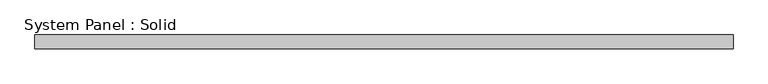
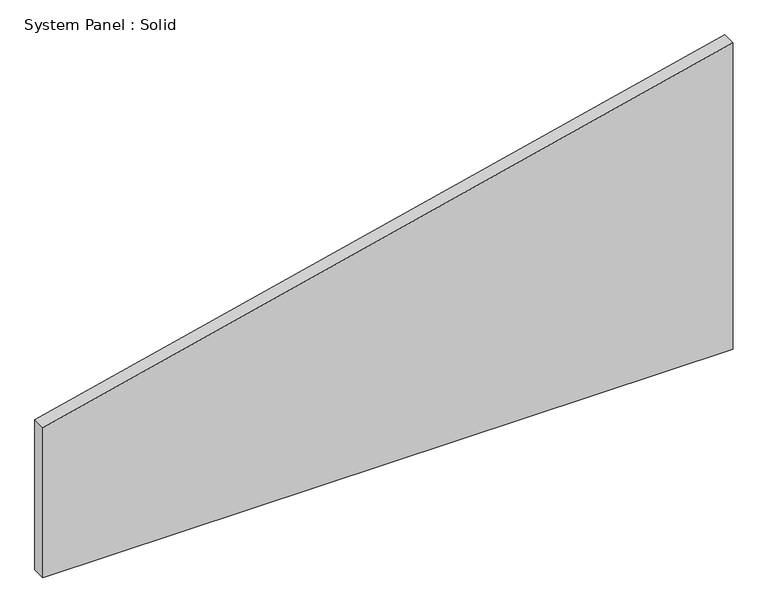
"""IFC4 building model written with IfcOpenShell, lengths in millimetres: plate geometry, System Panel : Solid."""

from ifc_helpers import new_model, si_unit, frame, origin, place, context, project, spatial, polyline, outline, extrude, source, transform, mapped, element, save


def system_panel_solid_bc2618f3(model_context):
    return source(origin(), model_context, "Body", "SweptSolid", [
        extrude(outline(polyline([(0.0, -1500.0), (0.0, 1500.0), (1407.3242299, 1500.0), (689.0930507, -1500.0), (0.0, -1500.0)])), frame((0.0, -10.5, 0.0), z_axis=(0.0, 1.0, 0.0), x_axis=(0.0, 0.0, 1.0)), (0.0, 0.0, 1.0), 60.0),
    ])


if __name__ == "__main__":
    model = new_model("IFC4")
    model_context = context("Model", 3, world=origin())
    ifc_project = project(units=[si_unit("LENGTHUNIT", "METRE", prefix="MILLI")], contexts=[model_context])
    site = spatial("IfcSite", under=ifc_project)
    building = spatial("IfcBuilding", under=site)
    placement = place(None, origin())
    system_panel_solid_shape = system_panel_solid_bc2618f3(model_context)
    element("IfcPlate", 1, ObjectType="System Panel : Solid", at=placement, inside=building, context=model_context, shape_type="MappedRepresentation", body=[
        mapped(system_panel_solid_shape, transform((0.0, 0.0, 0.0), x_axis=(1.0, 0.0, 0.0), y_axis=(0.0, 1.0, 0.0), z_axis=(0.0, 0.0, 1.0))),
    ])
    save(model, "model.ifc")
